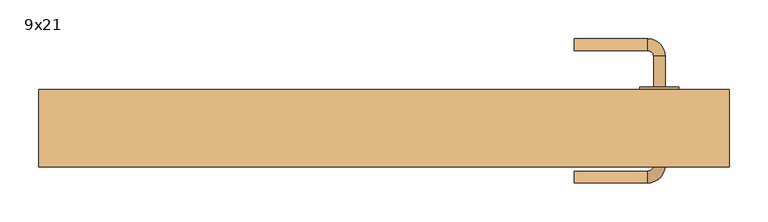
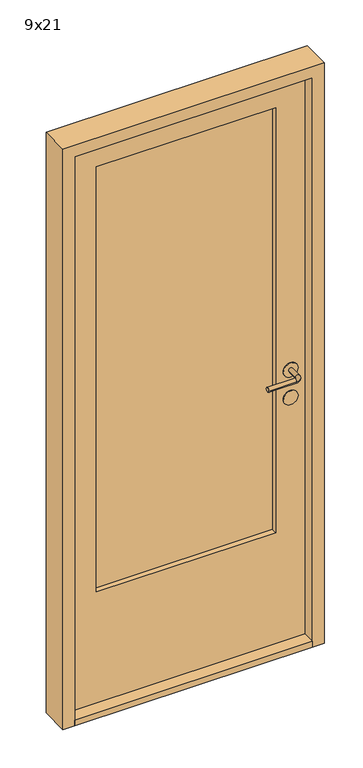
"""IFC4 building model written with IfcOpenShell, lengths in millimetres: door geometry, 9x21."""

from ifc_helpers import new_model, si_unit, point, frame, frame_2d, origin, place, context, project, spatial, polyline, circle_curve, ellipse_curve, trimmed, segment, composite_curve, outline, extrude, source, transform, mapped, element, save
from ifc_brep_helpers import plane_surface, cylinder_surface, revolved_surface, advanced_brep


def door_9x21_39d06ea8(model_context):
    return source(origin(), model_context, "Body", "SolidModel", [
        extrude(outline(polyline([(-305.0, 101.6666667), (305.0, 101.6666667), (305.0, 83.3333333), (-305.0, 83.3333333), (-305.0, 101.6666667)])), frame((0.0, 0.0, 430.0), z_axis=(0.0, 0.0, 1.0), x_axis=(1.0, 0.0, 0.0)), (0.0, 0.0, 1.0), 1530.0),
        extrude(outline(polyline([(2060.0, -405.0), (30.0, -405.0), (30.0, 405.0), (2060.0, 405.0), (2060.0, -405.0)]), holes=[polyline([(1960.0, 305.0), (430.0, 305.0), (430.0, -305.0), (1960.0, -305.0), (1960.0, 305.0)])]), frame((0.0, 65.0, 0.0), z_axis=(0.0, 1.0, 0.0), x_axis=(0.0, 0.0, 1.0)), (0.0, 0.0, 1.0), 55.0),
        advanced_brep(
        [(347.5, 62.0, 1000.0), (362.5, 62.0, 1000.0), (347.5, 22.0, 1000.0), (362.5, 22.0, 1000.0), (340.0, -0.5, 1000.0), (340.0, 14.5, 1000.0), (245.0, 14.5, 1000.0), (245.0, -0.5, 1000.0)],
        [
            (0, 1, circle_curve(frame((355.0, 62.0, 1000.0), z_axis=(0.0, 1.0, 0.0), x_axis=(1.0, 0.0, 0.0)), 7.5)),
            (1, 0, circle_curve(frame((355.0, 62.0, 1000.0), z_axis=(0.0, 1.0, 0.0), x_axis=(1.0, 0.0, 0.0)), 7.5)),
            (0, 2),
            (2, 3, circle_curve(frame((355.0, 22.0, 1000.0), z_axis=(0.0, 1.0, 0.0), x_axis=(1.0, 0.0, 0.0)), 7.5)),
            (3, 1),
            (3, 2, circle_curve(frame((355.0, 22.0, 1000.0), z_axis=(0.0, 1.0, 0.0), x_axis=(1.0, 0.0, 0.0)), 7.5)),
            (4, 3, circle_curve(frame((340.0, 22.0, 1000.0), z_axis=(0.0, 0.0, 1.0), x_axis=(1.0, 0.0, 0.0)), 22.5)),
            (2, 5, circle_curve(frame((340.0, 22.0, 1000.0), z_axis=(0.0, 0.0, -1.0), x_axis=(1.0, 0.0, 0.0)), 7.5)),
            (5, 4, circle_curve(frame((340.0, 7.0, 1000.0), z_axis=(1.0, 0.0, 0.0), x_axis=(0.0, -1.0, 0.0)), 7.5)),
            (4, 5, circle_curve(frame((340.0, 7.0, 1000.0), z_axis=(1.0, 0.0, 0.0), x_axis=(0.0, -1.0, 0.0)), 7.5)),
            (6, 7, circle_curve(frame((245.0, 7.0, 1000.0), z_axis=(-1.0, 0.0, 0.0), x_axis=(0.0, -1.0, 0.0)), 7.5)),
            (7, 6, circle_curve(frame((245.0, 7.0, 1000.0), z_axis=(-1.0, 0.0, 0.0), x_axis=(0.0, -1.0, 0.0)), 7.5)),
            (5, 6),
            (7, 4),
        ],
        [
            plane_surface(frame((355.0, 62.0, 1000.0), z_axis=(0.0, 1.0, 0.0), x_axis=(0.0, 0.0, 1.0))),
            cylinder_surface(frame((355.0, 62.0, 1000.0), z_axis=(0.0, 1.0, 0.0), x_axis=(1.0, 0.0, 0.0)), 7.5),
            revolved_surface(trimmed(ellipse_curve(frame((355.0, 22.0, 1000.0), z_axis=(0.0, 1.0, 0.0), x_axis=(1.0, 0.0, 0.0)), 7.5, 7.5), [point((347.5, 22.0, 1000.0))], [point((362.5, 22.0, 1000.0))], True, "CARTESIAN"), (340.0, 22.0, 1000.0), (0.0, 0.0, -1.0)),
            revolved_surface(trimmed(ellipse_curve(frame((355.0, 22.0, 1000.0), z_axis=(0.0, 1.0, 0.0), x_axis=(1.0, 0.0, 0.0)), 7.5, 7.5), [point((362.5, 22.0, 1000.0))], [point((347.5, 22.0, 1000.0))], True, "CARTESIAN"), (340.0, 22.0, 1000.0), (0.0, 0.0, -1.0)),
            plane_surface(frame((245.0, 7.0, 1000.0), z_axis=(-1.0, 0.0, 0.0), x_axis=(0.0, 0.0, 1.0))),
            cylinder_surface(frame((340.0, 7.0, 1000.0), z_axis=(1.0, 0.0, 0.0), x_axis=(0.0, -1.0, 0.0)), 7.5),
        ],
        [
            (0, [[1, 2]]),
            (1, [[-1, 3, 4, 5]]),
            (1, [[-2, -5, 6, -3]]),
            (2, [[7, -4, 8, 9]]),
            (3, [[-8, -6, -7, 10]]),
            (4, [[11, 12]]),
            (5, [[-9, 13, -12, 14]]),
            (5, [[-10, -14, -11, -13]]),
        ],
    ),
        advanced_brep(
        [(362.5, 123.0, 1000.0), (347.5, 123.0, 1000.0), (362.5, 163.0, 1000.0), (347.5, 163.0, 1000.0), (340.0, 170.5, 1000.0), (340.0, 185.5, 1000.0), (245.0, 185.5, 1000.0), (245.0, 170.5, 1000.0)],
        [
            (0, 1, circle_curve(frame((355.0, 123.0, 1000.0), z_axis=(0.0, -1.0, 0.0), x_axis=(-1.0, 0.0, 0.0)), 7.5)),
            (1, 0, circle_curve(frame((355.0, 123.0, 1000.0), z_axis=(0.0, -1.0, 0.0), x_axis=(-1.0, 0.0, 0.0)), 7.5)),
            (0, 2),
            (2, 3, circle_curve(frame((355.0, 163.0, 1000.0), z_axis=(0.0, -1.0, 0.0), x_axis=(-1.0, 0.0, 0.0)), 7.5)),
            (3, 1),
            (3, 2, circle_curve(frame((355.0, 163.0, 1000.0), z_axis=(0.0, -1.0, 0.0), x_axis=(-1.0, 0.0, 0.0)), 7.5)),
            (4, 3, circle_curve(frame((340.0, 163.0, 1000.0), z_axis=(0.0, 0.0, -1.0), x_axis=(1.0, 0.0, 0.0)), 7.5)),
            (2, 5, circle_curve(frame((340.0, 163.0, 1000.0), z_axis=(0.0, 0.0, 1.0), x_axis=(1.0, 0.0, 0.0)), 22.5)),
            (5, 4, circle_curve(frame((340.0, 178.0, 1000.0), z_axis=(1.0, 0.0, 0.0), x_axis=(0.0, -1.0, 0.0)), 7.5)),
            (4, 5, circle_curve(frame((340.0, 178.0, 1000.0), z_axis=(1.0, 0.0, 0.0), x_axis=(0.0, -1.0, 0.0)), 7.5)),
            (6, 7, circle_curve(frame((245.0, 178.0, 1000.0), z_axis=(-1.0, 0.0, 0.0), x_axis=(0.0, -1.0, 0.0)), 7.5)),
            (7, 6, circle_curve(frame((245.0, 178.0, 1000.0), z_axis=(-1.0, 0.0, 0.0), x_axis=(0.0, -1.0, 0.0)), 7.5)),
            (5, 6),
            (7, 4),
        ],
        [
            plane_surface(frame((355.0, 123.0, 1000.0), z_axis=(0.0, -1.0, 0.0), x_axis=(0.0, 0.0, 1.0))),
            cylinder_surface(frame((355.0, 123.0, 1000.0), z_axis=(0.0, -1.0, 0.0), x_axis=(-1.0, 0.0, 0.0)), 7.5),
            revolved_surface(trimmed(ellipse_curve(frame((355.0, 163.0, 1000.0), z_axis=(0.0, -1.0, 0.0), x_axis=(-1.0, 0.0, 0.0)), 7.5, 7.5), [point((362.5, 163.0, 1000.0))], [point((347.5, 163.0, 1000.0))], True, "CARTESIAN"), (340.0, 163.0, 1000.0), (0.0, 0.0, 1.0)),
            revolved_surface(trimmed(ellipse_curve(frame((355.0, 163.0, 1000.0), z_axis=(0.0, -1.0, 0.0), x_axis=(-1.0, 0.0, 0.0)), 7.5, 7.5), [point((347.5, 163.0, 1000.0))], [point((362.5, 163.0, 1000.0))], True, "CARTESIAN"), (340.0, 163.0, 1000.0), (0.0, 0.0, 1.0)),
            plane_surface(frame((245.0, 178.0, 1000.0), z_axis=(-1.0, 0.0, 0.0), x_axis=(0.0, 0.0, 1.0))),
            cylinder_surface(frame((340.0, 178.0, 1000.0), z_axis=(1.0, 0.0, 0.0), x_axis=(0.0, -1.0, 0.0)), 7.5),
        ],
        [
            (0, [[1, 2]]),
            (1, [[-1, 3, 4, 5]]),
            (1, [[-2, -5, 6, -3]]),
            (2, [[7, -4, 8, 9]]),
            (3, [[-8, -6, -7, 10]]),
            (4, [[11, 12]]),
            (5, [[-9, 13, -12, 14]]),
            (5, [[-10, -14, -11, -13]]),
        ],
    ),
        extrude(outline(composite_curve([segment(trimmed(circle_curve(frame_2d((900.0, 354.970927)), 25.0), [point((900.0, 329.970927))], [point((900.0, 379.970927))], False, "CARTESIAN"), True, "CONTINUOUS"), segment(trimmed(circle_curve(frame_2d((900.0, 354.970927)), 25.0), [point((900.0, 379.970927))], [point((900.0, 329.970927))], False, "CARTESIAN"), True, "CONTINUOUS")], self_intersect=False)), frame((0.0, 62.0, 0.0), z_axis=(0.0, 1.0, 0.0), x_axis=(0.0, 0.0, 1.0)), (0.0, 0.0, 1.0), 3.0),
        extrude(outline(composite_curve([segment(trimmed(circle_curve(frame_2d((1000.0, 354.970927)), 25.0), [point((1000.0, 329.970927))], [point((1000.0, 379.970927))], False, "CARTESIAN"), True, "CONTINUOUS"), segment(trimmed(circle_curve(frame_2d((1000.0, 354.970927)), 25.0), [point((1000.0, 379.970927))], [point((1000.0, 329.970927))], False, "CARTESIAN"), True, "CONTINUOUS")], self_intersect=False)), frame((0.0, 62.0, 0.0), z_axis=(0.0, 1.0, 0.0), x_axis=(0.0, 0.0, 1.0)), (0.0, 0.0, 1.0), 3.0),
        extrude(outline(composite_curve([segment(trimmed(circle_curve(frame_2d((900.0, 354.970927)), 25.0), [point((900.0, 329.970927))], [point((900.0, 379.970927))], False, "CARTESIAN"), True, "CONTINUOUS"), segment(trimmed(circle_curve(frame_2d((900.0, 354.970927)), 25.0), [point((900.0, 379.970927))], [point((900.0, 329.970927))], False, "CARTESIAN"), True, "CONTINUOUS")], self_intersect=False)), frame((0.0, 120.0, 0.0), z_axis=(0.0, 1.0, 0.0), x_axis=(0.0, 0.0, 1.0)), (0.0, 0.0, 1.0), 3.0),
        extrude(outline(composite_curve([segment(trimmed(circle_curve(frame_2d((1000.0, 354.970927)), 25.0), [point((1000.0, 329.970927))], [point((1000.0, 379.970927))], False, "CARTESIAN"), True, "CONTINUOUS"), segment(trimmed(circle_curve(frame_2d((1000.0, 354.970927)), 25.0), [point((1000.0, 379.970927))], [point((1000.0, 329.970927))], False, "CARTESIAN"), True, "CONTINUOUS")], self_intersect=False)), frame((0.0, 120.0, 0.0), z_axis=(0.0, 1.0, 0.0), x_axis=(0.0, 0.0, 1.0)), (0.0, 0.0, 1.0), 3.0),
        extrude(outline(polyline([(-405.0, 20.0), (-405.0, 120.0), (405.0, 120.0), (405.0, 20.0), (-405.0, 20.0)])), frame((0.0, 0.0, 10.0), z_axis=(0.0, 0.0, 1.0), x_axis=(1.0, 0.0, 0.0)), (0.0, 0.0, 1.0), 20.0),
        extrude(outline(polyline([(10.0, 405.0), (10.0, 445.0), (2100.0, 445.0), (2100.0, -445.0), (10.0, -445.0), (10.0, -405.0), (2060.0, -405.0), (2060.0, 405.0), (10.0, 405.0)])), frame((0.0, 20.0, 0.0), z_axis=(0.0, 1.0, 0.0), x_axis=(0.0, 0.0, 1.0)), (0.0, 0.0, 1.0), 100.0),
    ])


if __name__ == "__main__":
    model = new_model("IFC4")
    model_context = context("Model", 3, world=origin())
    ifc_project = project(units=[si_unit("LENGTHUNIT", "METRE", prefix="MILLI")], contexts=[model_context])
    site = spatial("IfcSite", under=ifc_project)
    building = spatial("IfcBuilding", under=site)
    placement = place(None, origin())
    door_9x21_shape = door_9x21_39d06ea8(model_context)
    element("IfcDoor", 1, ObjectType="9x21", at=placement, inside=building, context=model_context, shape_type="MappedRepresentation", body=[
        mapped(door_9x21_shape, transform((0.0, 0.0, 0.0), x_axis=(1.0, 0.0, 0.0), y_axis=(0.0, 1.0, 0.0), z_axis=(0.0, 0.0, 1.0))),
    ])
    save(model, "model.ifc")
